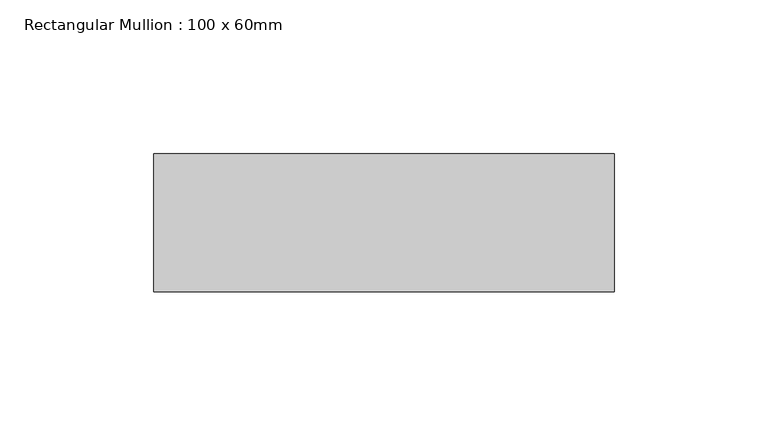
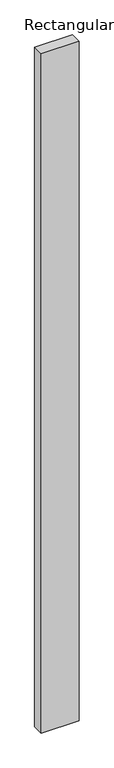
"""IFC4 building model written with IfcOpenShell, lengths in millimetres: member geometry, Rectangular Mullion : 100 x 60mm."""

from ifc_helpers import new_model, si_unit, frame, origin, place, context, project, spatial, polyline, outline, extrude, source, transform, mapped, element, save


def rectangular_mullion_100_x_60mm_3a66c69b(model_context):
    return source(origin(), model_context, "Body", "SweptSolid", [
        extrude(outline(polyline([(-75.0, 30.0), (75.0, 30.0), (75.0, -15.0), (-75.0, -15.0), (-75.0, 30.0)])), frame((0.0, 0.0, -2850.0), z_axis=(0.0, 0.0, 1.0), x_axis=(1.0, 0.0, 0.0)), (0.0, 0.0, 1.0), 2850.0),
    ])


if __name__ == "__main__":
    model = new_model("IFC4")
    model_context = context("Model", 3, world=origin())
    ifc_project = project(units=[si_unit("LENGTHUNIT", "METRE", prefix="MILLI")], contexts=[model_context])
    site = spatial("IfcSite", under=ifc_project)
    building = spatial("IfcBuilding", under=site)
    placement = place(None, origin())
    rectangular_mullion_100_x_60mm_shape = rectangular_mullion_100_x_60mm_3a66c69b(model_context)
    element("IfcMember", 1, ObjectType="Rectangular Mullion : 100 x 60mm", at=placement, inside=building, context=model_context, shape_type="MappedRepresentation", body=[
        mapped(rectangular_mullion_100_x_60mm_shape, transform((0.0, 0.0, 0.0), x_axis=(1.0, 0.0, 0.0), y_axis=(0.0, 1.0, 0.0), z_axis=(0.0, 0.0, 1.0))),
    ])
    save(model, "model.ifc")
